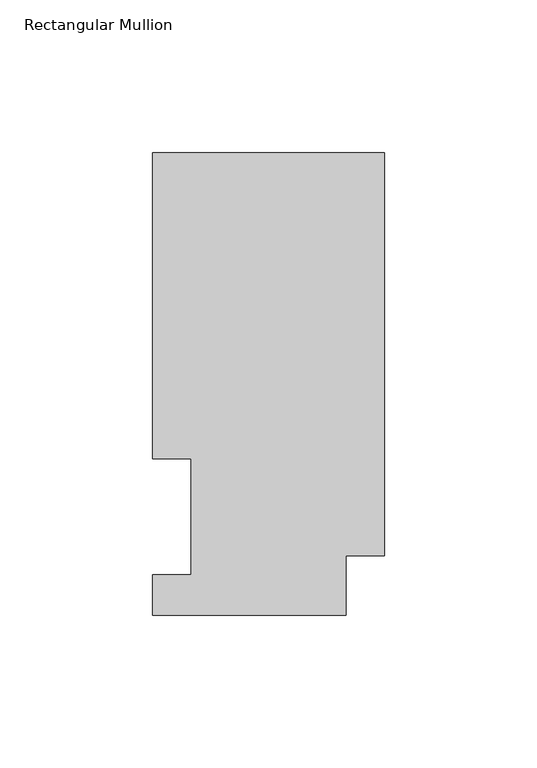
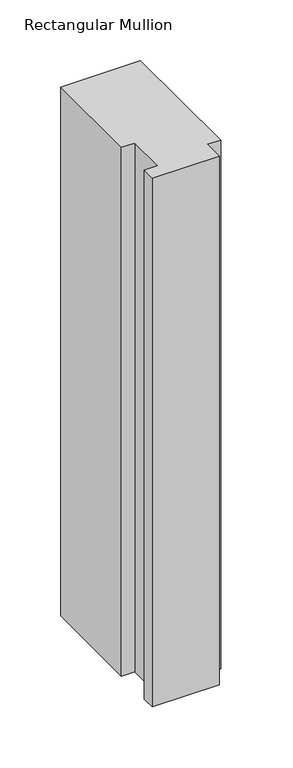
"""IFC4 building model written with IfcOpenShell, lengths in millimetres: member geometry, Rectangular Mullion."""

import ifcopenshell
import ifcopenshell.guid

model = None  # the IFC model being written
_history = None  # IfcOwnerHistory: only IFC2X3 demands one
_inside = {}  # id of a spatial element -> (the spatial element, [elements in it])
_under = {}  # id of a project, library or spatial element -> (it, [spatial elements below it])
_declared = {}  # id of a project -> (the project, [libraries it declares])
_typed = {}  # id of a type object -> (the type object, [elements of that type])
_made_of = {}  # id of a material, layer set ... -> (it, [elements and type objects made of it])


def new_model(schema):
    """Start an empty IFC model of exactly this schema.

    Asked for "IFC4X3", IfcOpenShell would pick the latest addendum, in which some entities
    have other attributes; the version numbers below select the first issue.
    IFC2X3 requires an IfcOwnerHistory on every rooted entity: one is made here for all.
    """
    global model, _history
    if schema == "IFC4X3":
        model = ifcopenshell.file(schema_version=(4, 3, 0, 0))
    else:
        model = ifcopenshell.file(schema=schema)
    _inside.clear()
    _under.clear()
    _declared.clear()
    _typed.clear()
    _made_of.clear()
    _history = None
    if model.schema == "IFC2X3":
        org = make("IfcOrganization", Name="unknown")
        user = make(
            "IfcPersonAndOrganization",
            ThePerson=make("IfcPerson", FamilyName="unknown"),
            TheOrganization=org,
        )
        app = make(
            "IfcApplication",
            ApplicationDeveloper=org,
            Version="unknown",
            ApplicationFullName="unknown",
            ApplicationIdentifier="unknown",
        )
        _history = make(
            "IfcOwnerHistory",
            OwningUser=user,
            OwningApplication=app,
            ChangeAction="ADDED",
            CreationDate=0,
        )
    return model


def make(cls, **values):
    """One entity of the class cls with the attributes given. An attribute that is None is left unset."""
    return model.create_entity(
        cls, **{name: value for name, value in values.items() if value is not None}
    )


def rooted(cls, **values):
    """An entity with a GlobalId (a new one), such as an element, a storey or a relation."""
    return make(cls, GlobalId=ifcopenshell.guid.new(), OwnerHistory=_history, **values)


def si_unit(unit_type, name, prefix=None):
    """IfcSIUnit, for example si_unit("LENGTHUNIT", "METRE", prefix="MILLI")."""
    return make("IfcSIUnit", UnitType=unit_type, Prefix=prefix, Name=name)


def assignment(units):
    """IfcUnitAssignment: the units of a project."""
    return None if units is None else make("IfcUnitAssignment", Units=units)


def point(xyz):
    """IfcCartesianPoint."""
    return None if xyz is None else make("IfcCartesianPoint", Coordinates=xyz)


def direction(xyz):
    """IfcDirection."""
    return None if xyz is None else make("IfcDirection", DirectionRatios=xyz)


def frame(location, z_axis=None, x_axis=None):
    """IfcAxis2Placement3D, a coordinate frame: its origin and axes. An axis left out is left unset."""
    return make(
        "IfcAxis2Placement3D",
        Location=point(location),
        Axis=direction(z_axis),
        RefDirection=direction(x_axis),
    )


def origin():
    """The frame at (0, 0, 0) with its axes left unset."""
    return frame((0.0, 0.0, 0.0))


def place(relative_to, where):
    """IfcLocalPlacement: puts the frame where relative to a parent placement (None: the world)."""
    return make(
        "IfcLocalPlacement", PlacementRelTo=relative_to, RelativePlacement=where
    )


def context(
    kind, dimensions, precision=None, world=None, true_north=None, identifier=None
):
    """IfcGeometricRepresentationContext, for example the 3D "Model" context."""
    return make(
        "IfcGeometricRepresentationContext",
        ContextIdentifier=identifier,
        ContextType=kind,
        CoordinateSpaceDimension=dimensions,
        Precision=precision,
        WorldCoordinateSystem=world,
        TrueNorth=true_north,
    )


def project(units=None, contexts=None):
    """IfcProject with its units and contexts."""
    return rooted(
        "IfcProject",
        Name="project",
        RepresentationContexts=contexts,
        UnitsInContext=assignment(units),
    )


def spatial(cls, under=None, at=None, **own):
    """A site, building, storey or space (cls), placed at a placement, below another one or the project."""
    s = rooted(cls, ObjectPlacement=at, **own)
    if under is not None:
        _under.setdefault(under.id(), (under, []))[1].append(s)
    return s


def polyline(points):
    """IfcPolyline through the points."""
    return make("IfcPolyline", Points=[point(p) for p in points])


def outline(outer, holes=None, kind="AREA"):
    """IfcArbitraryClosedProfileDef: a profile drawn as a closed curve; with holes, ...WithVoids."""
    if holes is None:
        return make("IfcArbitraryClosedProfileDef", ProfileType=kind, OuterCurve=outer)
    return make(
        "IfcArbitraryProfileDefWithVoids",
        ProfileType=kind,
        OuterCurve=outer,
        InnerCurves=holes,
    )


def extrude(swept, where, along, depth):
    """IfcExtrudedAreaSolid: the profile swept, set in the frame where, extruded along a direction by depth."""
    return make(
        "IfcExtrudedAreaSolid",
        SweptArea=swept,
        Position=where,
        ExtrudedDirection=direction(along),
        Depth=depth,
    )


def shape(context_of_items, identifier, shape_type, items):
    """IfcShapeRepresentation: the items that make up one representation, for example the "Body"."""
    return make(
        "IfcShapeRepresentation",
        ContextOfItems=context_of_items,
        RepresentationIdentifier=identifier,
        RepresentationType=shape_type,
        Items=items,
    )


def source(mapping_origin, context_of_items, identifier, shape_type, items):
    """IfcRepresentationMap: a shape defined once, which mapped items show again and again."""
    return make(
        "IfcRepresentationMap",
        MappingOrigin=mapping_origin,
        MappedRepresentation=shape(context_of_items, identifier, shape_type, items),
    )


def transform(
    local_origin,
    x_axis=None,
    y_axis=None,
    z_axis=None,
    scale=None,
    scale2=None,
    scale3=None,
    uniform=True,
):
    """IfcCartesianTransformationOperator3D, or its non-uniform kind. x_axis, y_axis, z_axis: its Axis1, 2, 3."""
    if uniform:
        return make(
            "IfcCartesianTransformationOperator3D",
            Axis1=direction(x_axis),
            Axis2=direction(y_axis),
            LocalOrigin=point(local_origin),
            Scale=scale,
            Axis3=direction(z_axis),
        )
    return make(
        "IfcCartesianTransformationOperator3DnonUniform",
        Axis1=direction(x_axis),
        Axis2=direction(y_axis),
        LocalOrigin=point(local_origin),
        Scale=scale,
        Axis3=direction(z_axis),
        Scale2=scale2,
        Scale3=scale3,
    )


def mapped(mapping_source, mapping_target):
    """IfcMappedItem: shows the shape of a source again, moved by a transform."""
    return make(
        "IfcMappedItem", MappingSource=mapping_source, MappingTarget=mapping_target
    )


def made_of(thing, what):
    """Note that an element or type object is made of a material, layer set ...; save() writes the relation."""
    if what is not None:
        _made_of.setdefault(what.id(), (what, []))[1].append(thing)
    return thing


def element(
    cls,
    number,
    at=None,
    inside=None,
    cuts=None,
    type_object=None,
    material=None,
    context=None,
    identifier="Body",
    shape_type=None,
    held_by="IfcProductDefinitionShape",
    body=None,
    shapes=None,
    **own,
):
    """One element of the class cls, such as IfcWall. Its Tag is "e" and its number.

    at: its placement. inside: the storey or other place that contains it. cuts: it is an
    opening in that element (IfcRelVoidsElement). A single representation is given by context,
    identifier, shape_type and body (its items); several are given by shapes. held_by: the class
    of the entity that holds the representations. save() writes the other relations.
    """
    e = rooted(cls, Tag="e%d" % number, ObjectPlacement=at, **own)
    if body is not None:
        shapes = [shape(context, identifier, shape_type, body)]
    if shapes is not None:
        e.Representation = make(held_by, Representations=shapes)
    if inside is not None:
        _inside.setdefault(inside.id(), (inside, []))[1].append(e)
    if cuts is not None:
        rooted(
            "IfcRelVoidsElement", RelatingBuildingElement=cuts, RelatedOpeningElement=e
        )
    if type_object is not None:
        _typed.setdefault(type_object.id(), (type_object, []))[1].append(e)
    return made_of(e, material)


def aggregate(whole, parts):
    """IfcRelAggregates: a whole, such as a stair, and the parts it consists of."""
    return rooted("IfcRelAggregates", RelatingObject=whole, RelatedObjects=parts)


def save(model, path):
    """Write the relations noted so far, then the file.

    IfcRelAggregates (storeys below a building ...), IfcRelContainedInSpatialStructure (elements
    in a storey), IfcRelDefinesByType, IfcRelAssociatesMaterial and IfcRelDeclares: one each for
    every whole, place, type object, material and project.
    """
    for whole, parts in _under.values():
        aggregate(whole, parts)
    for where, things in _inside.values():
        rooted(
            "IfcRelContainedInSpatialStructure",
            RelatedElements=things,
            RelatingStructure=where,
        )
    for kind, things in _typed.values():
        rooted("IfcRelDefinesByType", RelatedObjects=things, RelatingType=kind)
    for what, things in _made_of.values():
        rooted("IfcRelAssociatesMaterial", RelatedObjects=things, RelatingMaterial=what)
    for by, libraries in _declared.values():
        rooted("IfcRelDeclares", RelatingContext=by, RelatedDefinitions=libraries)
    model.write(path)


def rectangular_mullion_3aed42fc(model_context):
    return source(origin(), model_context, "Body", "SweptSolid", [
        extrude(outline(polyline([(-76.2, 51.2960938), (-76.2, 151.7022937), (0.0, 151.7022937), (0.0, 19.5455957), (-12.7, 19.5455957), (-12.7, 0.0134937), (-76.2, 0.0134937), (-76.2, 13.1960937), (-63.5, 13.1960937), (-63.5, 51.2960938), (-76.2, 51.2960938)])), frame((0.0, 0.0, -533.4), z_axis=(0.0, 0.0, 1.0), x_axis=(1.0, 0.0, 0.0)), (0.0, 0.0, 1.0), 533.4),
    ])


if __name__ == "__main__":
    model = new_model("IFC4")
    model_context = context("Model", 3, world=origin())
    ifc_project = project(units=[si_unit("LENGTHUNIT", "METRE", prefix="MILLI")], contexts=[model_context])
    site = spatial("IfcSite", under=ifc_project)
    building = spatial("IfcBuilding", under=site)
    placement = place(None, origin())
    rectangular_mullion_shape = rectangular_mullion_3aed42fc(model_context)
    element("IfcMember", 1, ObjectType="Rectangular Mullion", at=placement, inside=building, context=model_context, shape_type="MappedRepresentation", body=[
        mapped(rectangular_mullion_shape, transform((0.0, 0.0, 0.0), x_axis=(1.0, 0.0, 0.0), y_axis=(0.0, 1.0, 0.0), z_axis=(0.0, 0.0, 1.0))),
    ])
    save(model, "model.ifc")
